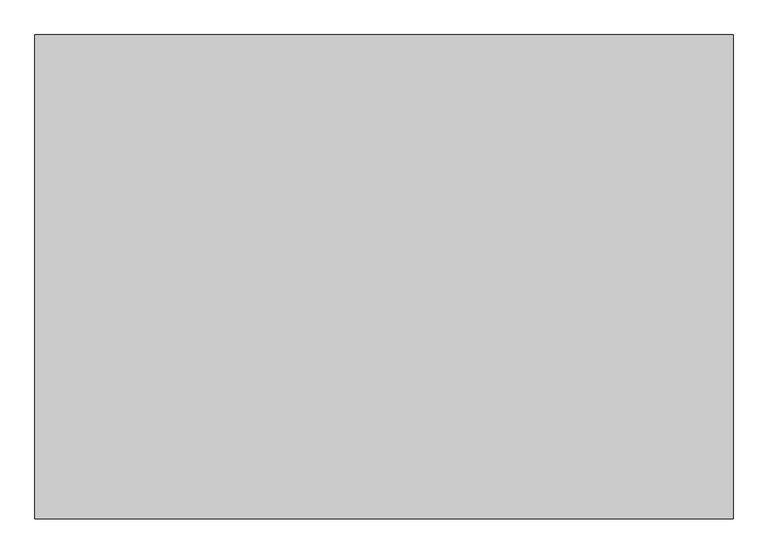
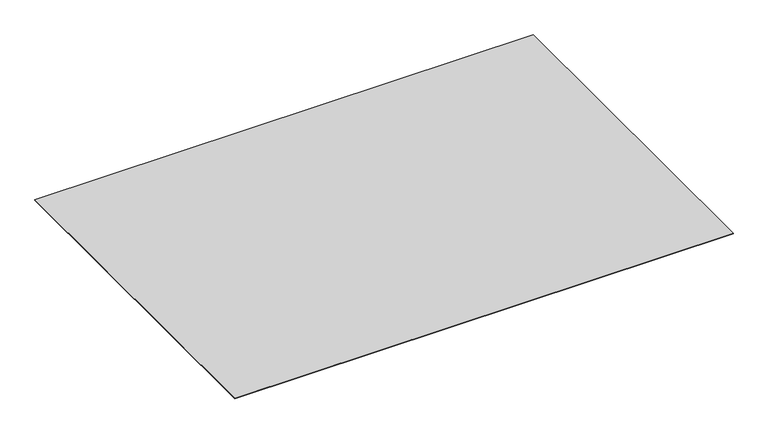
"""IFC4 building model written with IfcOpenShell, lengths in millimetres: proxy geometry."""

import ifcopenshell
import ifcopenshell.guid

model = None  # the IFC model being written
_history = None  # IfcOwnerHistory: only IFC2X3 demands one
_inside = {}  # id of a spatial element -> (the spatial element, [elements in it])
_under = {}  # id of a project, library or spatial element -> (it, [spatial elements below it])
_declared = {}  # id of a project -> (the project, [libraries it declares])
_typed = {}  # id of a type object -> (the type object, [elements of that type])
_made_of = {}  # id of a material, layer set ... -> (it, [elements and type objects made of it])


def new_model(schema):
    """Start an empty IFC model of exactly this schema.

    Asked for "IFC4X3", IfcOpenShell would pick the latest addendum, in which some entities
    have other attributes; the version numbers below select the first issue.
    IFC2X3 requires an IfcOwnerHistory on every rooted entity: one is made here for all.
    """
    global model, _history
    if schema == "IFC4X3":
        model = ifcopenshell.file(schema_version=(4, 3, 0, 0))
    else:
        model = ifcopenshell.file(schema=schema)
    _inside.clear()
    _under.clear()
    _declared.clear()
    _typed.clear()
    _made_of.clear()
    _history = None
    if model.schema == "IFC2X3":
        org = make("IfcOrganization", Name="unknown")
        user = make(
            "IfcPersonAndOrganization",
            ThePerson=make("IfcPerson", FamilyName="unknown"),
            TheOrganization=org,
        )
        app = make(
            "IfcApplication",
            ApplicationDeveloper=org,
            Version="unknown",
            ApplicationFullName="unknown",
            ApplicationIdentifier="unknown",
        )
        _history = make(
            "IfcOwnerHistory",
            OwningUser=user,
            OwningApplication=app,
            ChangeAction="ADDED",
            CreationDate=0,
        )
    return model


def make(cls, **values):
    """One entity of the class cls with the attributes given. An attribute that is None is left unset."""
    return model.create_entity(
        cls, **{name: value for name, value in values.items() if value is not None}
    )


def rooted(cls, **values):
    """An entity with a GlobalId (a new one), such as an element, a storey or a relation."""
    return make(cls, GlobalId=ifcopenshell.guid.new(), OwnerHistory=_history, **values)


def si_unit(unit_type, name, prefix=None):
    """IfcSIUnit, for example si_unit("LENGTHUNIT", "METRE", prefix="MILLI")."""
    return make("IfcSIUnit", UnitType=unit_type, Prefix=prefix, Name=name)


def assignment(units):
    """IfcUnitAssignment: the units of a project."""
    return None if units is None else make("IfcUnitAssignment", Units=units)


def point(xyz):
    """IfcCartesianPoint."""
    return None if xyz is None else make("IfcCartesianPoint", Coordinates=xyz)


def direction(xyz):
    """IfcDirection."""
    return None if xyz is None else make("IfcDirection", DirectionRatios=xyz)


def frame(location, z_axis=None, x_axis=None):
    """IfcAxis2Placement3D, a coordinate frame: its origin and axes. An axis left out is left unset."""
    return make(
        "IfcAxis2Placement3D",
        Location=point(location),
        Axis=direction(z_axis),
        RefDirection=direction(x_axis),
    )


def origin():
    """The frame at (0, 0, 0) with its axes left unset."""
    return frame((0.0, 0.0, 0.0))


def origin_with_axes():
    """The frame at (0, 0, 0) with the z axis (0, 0, 1) and the x axis (1, 0, 0) written out."""
    return frame((0.0, 0.0, 0.0), z_axis=(0.0, 0.0, 1.0), x_axis=(1.0, 0.0, 0.0))


def place(relative_to, where):
    """IfcLocalPlacement: puts the frame where relative to a parent placement (None: the world)."""
    return make(
        "IfcLocalPlacement", PlacementRelTo=relative_to, RelativePlacement=where
    )


def context(
    kind, dimensions, precision=None, world=None, true_north=None, identifier=None
):
    """IfcGeometricRepresentationContext, for example the 3D "Model" context."""
    return make(
        "IfcGeometricRepresentationContext",
        ContextIdentifier=identifier,
        ContextType=kind,
        CoordinateSpaceDimension=dimensions,
        Precision=precision,
        WorldCoordinateSystem=world,
        TrueNorth=true_north,
    )


def project(units=None, contexts=None):
    """IfcProject with its units and contexts."""
    return rooted(
        "IfcProject",
        Name="project",
        RepresentationContexts=contexts,
        UnitsInContext=assignment(units),
    )


def spatial(cls, under=None, at=None, **own):
    """A site, building, storey or space (cls), placed at a placement, below another one or the project."""
    s = rooted(cls, ObjectPlacement=at, **own)
    if under is not None:
        _under.setdefault(under.id(), (under, []))[1].append(s)
    return s


def polyline(points):
    """IfcPolyline through the points."""
    return make("IfcPolyline", Points=[point(p) for p in points])


def outline(outer, holes=None, kind="AREA"):
    """IfcArbitraryClosedProfileDef: a profile drawn as a closed curve; with holes, ...WithVoids."""
    if holes is None:
        return make("IfcArbitraryClosedProfileDef", ProfileType=kind, OuterCurve=outer)
    return make(
        "IfcArbitraryProfileDefWithVoids",
        ProfileType=kind,
        OuterCurve=outer,
        InnerCurves=holes,
    )


def extrude(swept, where, along, depth):
    """IfcExtrudedAreaSolid: the profile swept, set in the frame where, extruded along a direction by depth."""
    return make(
        "IfcExtrudedAreaSolid",
        SweptArea=swept,
        Position=where,
        ExtrudedDirection=direction(along),
        Depth=depth,
    )


def shape(context_of_items, identifier, shape_type, items):
    """IfcShapeRepresentation: the items that make up one representation, for example the "Body"."""
    return make(
        "IfcShapeRepresentation",
        ContextOfItems=context_of_items,
        RepresentationIdentifier=identifier,
        RepresentationType=shape_type,
        Items=items,
    )


def source(mapping_origin, context_of_items, identifier, shape_type, items):
    """IfcRepresentationMap: a shape defined once, which mapped items show again and again."""
    return make(
        "IfcRepresentationMap",
        MappingOrigin=mapping_origin,
        MappedRepresentation=shape(context_of_items, identifier, shape_type, items),
    )


def transform(
    local_origin,
    x_axis=None,
    y_axis=None,
    z_axis=None,
    scale=None,
    scale2=None,
    scale3=None,
    uniform=True,
):
    """IfcCartesianTransformationOperator3D, or its non-uniform kind. x_axis, y_axis, z_axis: its Axis1, 2, 3."""
    if uniform:
        return make(
            "IfcCartesianTransformationOperator3D",
            Axis1=direction(x_axis),
            Axis2=direction(y_axis),
            LocalOrigin=point(local_origin),
            Scale=scale,
            Axis3=direction(z_axis),
        )
    return make(
        "IfcCartesianTransformationOperator3DnonUniform",
        Axis1=direction(x_axis),
        Axis2=direction(y_axis),
        LocalOrigin=point(local_origin),
        Scale=scale,
        Axis3=direction(z_axis),
        Scale2=scale2,
        Scale3=scale3,
    )


def mapped(mapping_source, mapping_target):
    """IfcMappedItem: shows the shape of a source again, moved by a transform."""
    return make(
        "IfcMappedItem", MappingSource=mapping_source, MappingTarget=mapping_target
    )


def made_of(thing, what):
    """Note that an element or type object is made of a material, layer set ...; save() writes the relation."""
    if what is not None:
        _made_of.setdefault(what.id(), (what, []))[1].append(thing)
    return thing


def element(
    cls,
    number,
    at=None,
    inside=None,
    cuts=None,
    type_object=None,
    material=None,
    context=None,
    identifier="Body",
    shape_type=None,
    held_by="IfcProductDefinitionShape",
    body=None,
    shapes=None,
    **own,
):
    """One element of the class cls, such as IfcWall. Its Tag is "e" and its number.

    at: its placement. inside: the storey or other place that contains it. cuts: it is an
    opening in that element (IfcRelVoidsElement). A single representation is given by context,
    identifier, shape_type and body (its items); several are given by shapes. held_by: the class
    of the entity that holds the representations. save() writes the other relations.
    """
    e = rooted(cls, Tag="e%d" % number, ObjectPlacement=at, **own)
    if body is not None:
        shapes = [shape(context, identifier, shape_type, body)]
    if shapes is not None:
        e.Representation = make(held_by, Representations=shapes)
    if inside is not None:
        _inside.setdefault(inside.id(), (inside, []))[1].append(e)
    if cuts is not None:
        rooted(
            "IfcRelVoidsElement", RelatingBuildingElement=cuts, RelatedOpeningElement=e
        )
    if type_object is not None:
        _typed.setdefault(type_object.id(), (type_object, []))[1].append(e)
    return made_of(e, material)


def aggregate(whole, parts):
    """IfcRelAggregates: a whole, such as a stair, and the parts it consists of."""
    return rooted("IfcRelAggregates", RelatingObject=whole, RelatedObjects=parts)


def save(model, path):
    """Write the relations noted so far, then the file.

    IfcRelAggregates (storeys below a building ...), IfcRelContainedInSpatialStructure (elements
    in a storey), IfcRelDefinesByType, IfcRelAssociatesMaterial and IfcRelDeclares: one each for
    every whole, place, type object, material and project.
    """
    for whole, parts in _under.values():
        aggregate(whole, parts)
    for where, things in _inside.values():
        rooted(
            "IfcRelContainedInSpatialStructure",
            RelatedElements=things,
            RelatingStructure=where,
        )
    for kind, things in _typed.values():
        rooted("IfcRelDefinesByType", RelatedObjects=things, RelatingType=kind)
    for what, things in _made_of.values():
        rooted("IfcRelAssociatesMaterial", RelatedObjects=things, RelatingMaterial=what)
    for by, libraries in _declared.values():
        rooted("IfcRelDeclares", RelatingContext=by, RelatedDefinitions=libraries)
    model.write(path)


def generic_models_a5687bd0(model_context):
    return source(origin(), model_context, "Body", "SweptSolid", [
        extrude(outline(polyline([(1254.0, 870.0), (1254.0, 0.0), (0.0, 0.0), (0.0, 870.0), (1254.0, 870.0)])), origin_with_axes(), (0.0, 0.0, 1.0), 1.0),
    ])


if __name__ == "__main__":
    model = new_model("IFC4")
    model_context = context("Model", 3, world=origin())
    ifc_project = project(units=[si_unit("LENGTHUNIT", "METRE", prefix="MILLI")], contexts=[model_context])
    site = spatial("IfcSite", under=ifc_project)
    building = spatial("IfcBuilding", under=site)
    placement = place(None, origin())
    generic_models_shape = generic_models_a5687bd0(model_context)
    element("IfcBuildingElementProxy", 1, Name="Generic Models", at=placement, inside=building, context=model_context, shape_type="MappedRepresentation", body=[
        mapped(generic_models_shape, transform((0.0, 0.0, 0.0), x_axis=(1.0, 0.0, 0.0), y_axis=(0.0, 1.0, 0.0), z_axis=(0.0, 0.0, 1.0))),
    ])
    save(model, "model.ifc")
